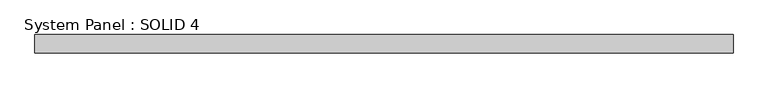
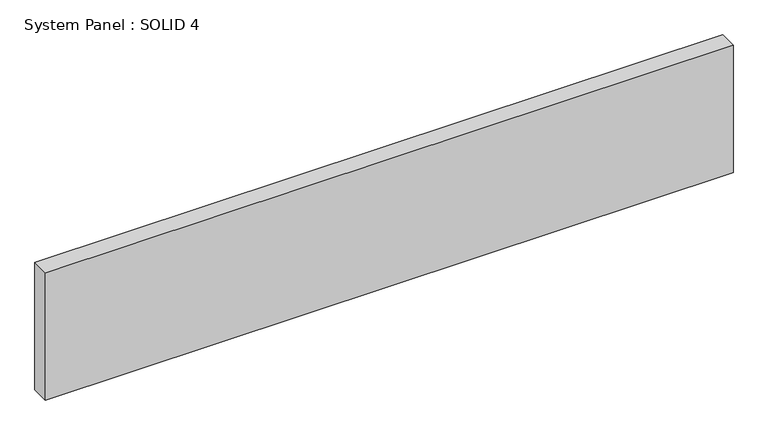
"""IFC4 building model written with IfcOpenShell, lengths in millimetres: plate geometry, System Panel : SOLID 4."""

from ifc_helpers import new_model, si_unit, origin, origin_with_axes, place, context, project, spatial, polyline, outline, extrude, source, transform, mapped, element, save


def system_panel_solid_4_c567942c(model_context):
    return source(origin(), model_context, "Body", "SweptSolid", [
        extrude(outline(polyline([(1507.5, 80.0), (-1507.5, 80.0), (-1507.5, 160.0), (1507.5, 160.0), (1507.5, 80.0)])), origin_with_axes(), (0.0, 0.0, 1.0), 591.0),
    ])


if __name__ == "__main__":
    model = new_model("IFC4")
    model_context = context("Model", 3, world=origin())
    ifc_project = project(units=[si_unit("LENGTHUNIT", "METRE", prefix="MILLI")], contexts=[model_context])
    site = spatial("IfcSite", under=ifc_project)
    building = spatial("IfcBuilding", under=site)
    placement = place(None, origin())
    system_panel_solid_4_shape = system_panel_solid_4_c567942c(model_context)
    element("IfcPlate", 1, ObjectType="System Panel : SOLID 4", at=placement, inside=building, context=model_context, shape_type="MappedRepresentation", body=[
        mapped(system_panel_solid_4_shape, transform((0.0, 0.0, 0.0), x_axis=(1.0, 0.0, 0.0), y_axis=(0.0, 1.0, 0.0), z_axis=(0.0, 0.0, 1.0))),
    ])
    save(model, "model.ifc")
